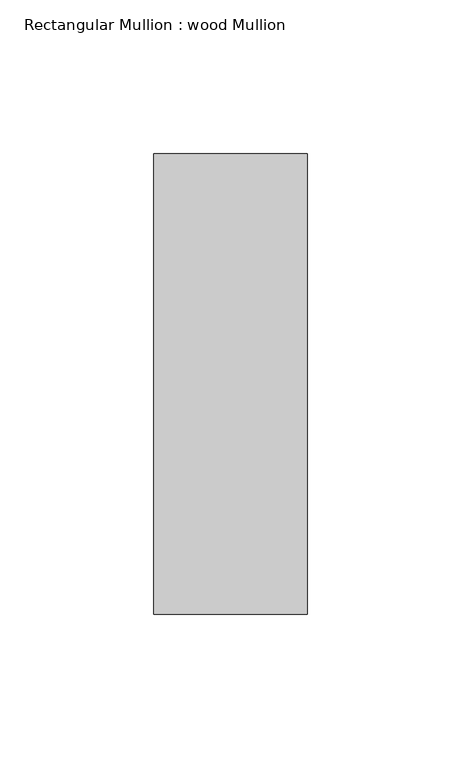
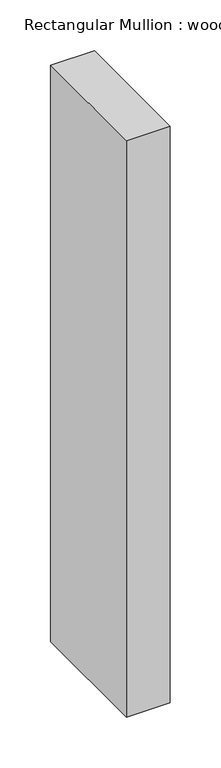
"""IFC4 building model written with IfcOpenShell, lengths in millimetres: member geometry, Rectangular Mullion : wood Mullion."""

from ifc_helpers import new_model, si_unit, frame, origin, place, context, project, spatial, polyline, outline, extrude, source, transform, mapped, element, save


def rectangular_mullion_wood_mullion_248f07e6(model_context):
    return source(origin(), model_context, "Body", "SweptSolid", [
        extrude(outline(polyline([(0.0, 75.0), (0.0, -75.0), (-50.0, -75.0), (-50.0, 75.0), (0.0, 75.0)])), frame((0.0, 0.0, -695.0), z_axis=(0.0, 0.0, 1.0), x_axis=(1.0, 0.0, 0.0)), (0.0, 0.0, 1.0), 695.0),
    ])


if __name__ == "__main__":
    model = new_model("IFC4")
    model_context = context("Model", 3, world=origin())
    ifc_project = project(units=[si_unit("LENGTHUNIT", "METRE", prefix="MILLI")], contexts=[model_context])
    site = spatial("IfcSite", under=ifc_project)
    building = spatial("IfcBuilding", under=site)
    placement = place(None, origin())
    rectangular_mullion_wood_mullion_shape = rectangular_mullion_wood_mullion_248f07e6(model_context)
    element("IfcMember", 1, ObjectType="Rectangular Mullion : wood Mullion", at=placement, inside=building, context=model_context, shape_type="MappedRepresentation", body=[
        mapped(rectangular_mullion_wood_mullion_shape, transform((0.0, 0.0, 0.0), x_axis=(1.0, 0.0, 0.0), y_axis=(0.0, 1.0, 0.0), z_axis=(0.0, 0.0, 1.0))),
    ])
    save(model, "model.ifc")
